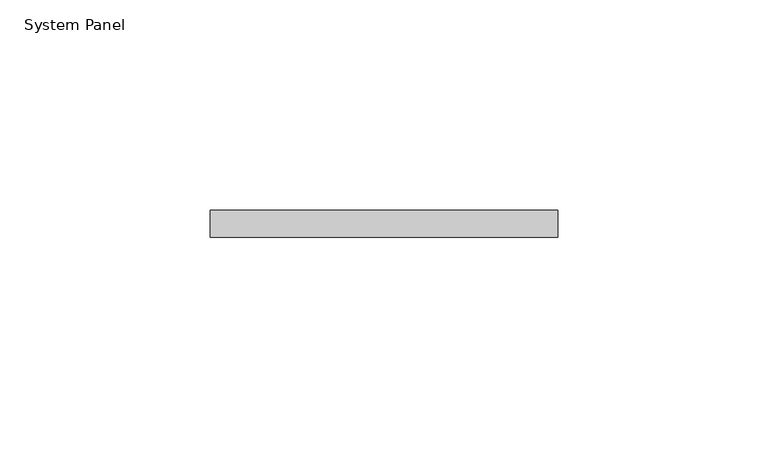
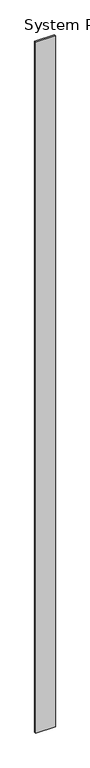
"""IFC4 building model written with IfcOpenShell, lengths in millimetres: plate geometry, System Panel."""

from ifc_helpers import new_model, si_unit, origin, origin_with_axes, place, context, project, spatial, polyline, outline, extrude, source, transform, mapped, element, save


def system_panel_122a7890(model_context):
    return source(origin(), model_context, "Body", "SweptSolid", [
        extrude(outline(polyline([(41.2885132, 0.0), (-41.2885132, 0.0), (-41.2885132, 6.35), (41.2885132, 6.35), (41.2885132, 0.0)])), origin_with_axes(), (0.0, 0.0, 1.0), 3048.0),
    ])


if __name__ == "__main__":
    model = new_model("IFC4")
    model_context = context("Model", 3, world=origin())
    ifc_project = project(units=[si_unit("LENGTHUNIT", "METRE", prefix="MILLI")], contexts=[model_context])
    site = spatial("IfcSite", under=ifc_project)
    building = spatial("IfcBuilding", under=site)
    placement = place(None, origin())
    system_panel_shape = system_panel_122a7890(model_context)
    element("IfcPlate", 1, ObjectType="System Panel", at=placement, inside=building, context=model_context, shape_type="MappedRepresentation", body=[
        mapped(system_panel_shape, transform((0.0, 0.0, 0.0), x_axis=(1.0, 0.0, 0.0), y_axis=(0.0, 1.0, 0.0), z_axis=(0.0, 0.0, 1.0))),
    ])
    save(model, "model.ifc")
